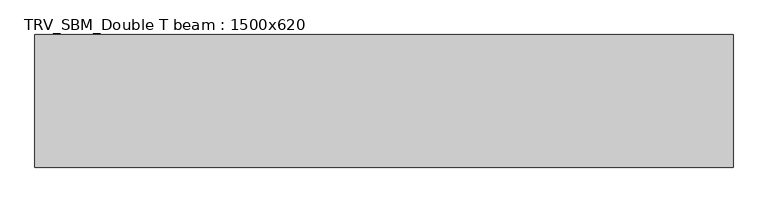
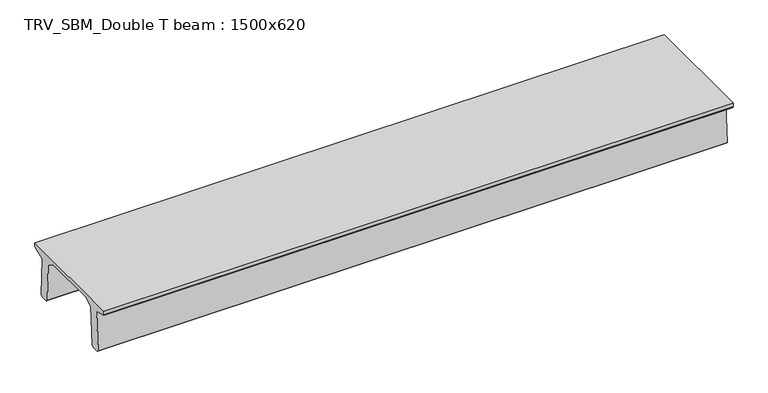
"""IFC4 building model written with IfcOpenShell, lengths in millimetres: beam geometry, TRV_SBM_Double T beam : 1500x620."""

from ifc_helpers import new_model, si_unit, frame, origin, place, context, project, spatial, polyline, outline, extrude, source, transform, mapped, element, save


def trv_sbm_double_t_beam_1500x620_8037ddd8(model_context):
    return source(origin(), model_context, "Body", "SweptSolid", [
        extrude(outline(polyline([(-765.0, 215.0), (-765.0, 260.0), (735.0, 260.0), (735.0, 215.0), (728.2094488, 201.315559), (578.0626443, 140.6523122), (594.8277662, -339.4379646), (574.2657308, -360.0), (484.2657308, -360.0), (464.786332, -340.5206011), (447.8600761, 144.18395), (338.3237744, 210.0), (-367.4555014, 210.0), (-476.5389732, 151.9992892), (-507.0080378, -339.3850967), (-527.622941, -360.0), (-615.122941, -360.0), (-637.1143055, -338.0086356), (-606.1572167, 162.687806), (-761.3068466, 204.260024), (-765.0, 215.0)])), frame((-3944.5, 0.0, 0.0), z_axis=(1.0, 0.0, 0.0), x_axis=(0.0, 1.0, 0.0)), (0.0, 0.0, 1.0), 7895.0),
    ])


if __name__ == "__main__":
    model = new_model("IFC4")
    model_context = context("Model", 3, world=origin())
    ifc_project = project(units=[si_unit("LENGTHUNIT", "METRE", prefix="MILLI")], contexts=[model_context])
    site = spatial("IfcSite", under=ifc_project)
    building = spatial("IfcBuilding", under=site)
    placement = place(None, origin())
    trv_sbm_double_t_beam_1500x620_shape = trv_sbm_double_t_beam_1500x620_8037ddd8(model_context)
    element("IfcBeam", 1, ObjectType="TRV_SBM_Double T beam : 1500x620", at=placement, inside=building, context=model_context, shape_type="MappedRepresentation", body=[
        mapped(trv_sbm_double_t_beam_1500x620_shape, transform((0.0, 0.0, 0.0), x_axis=(1.0, 0.0, 0.0), y_axis=(0.0, 1.0, 0.0), z_axis=(0.0, 0.0, 1.0))),
    ])
    save(model, "model.ifc")
